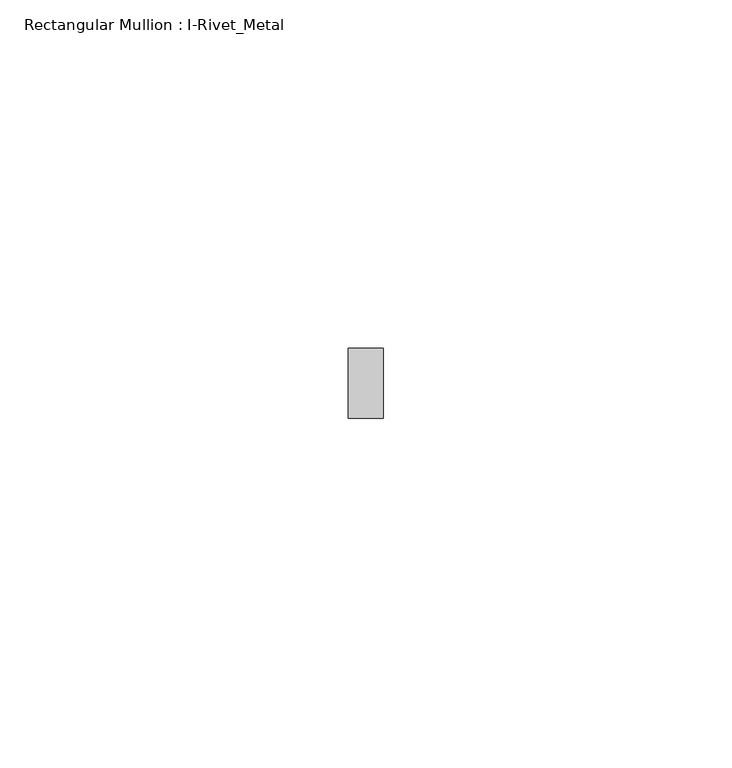
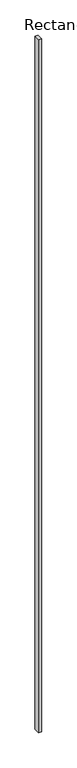
"""IFC4 building model written with IfcOpenShell, lengths in millimetres: member geometry, Rectangular Mullion : I-Rivet_Metal."""

from ifc_helpers import new_model, si_unit, frame, origin, place, context, project, spatial, polyline, outline, extrude, source, transform, mapped, element, save


def rectangular_mullion_i_rivet_metal_5c254e82(model_context):
    return source(origin(), model_context, "Body", "SweptSolid", [
        extrude(outline(polyline([(2.5, 70.0), (-2.5, 70.0), (-2.5, 80.0), (2.5, 80.0), (2.5, 70.0)])), frame((0.0, 0.0, -1200.0), z_axis=(0.0, 0.0, 1.0), x_axis=(1.0, 0.0, 0.0)), (0.0, 0.0, 1.0), 1200.0),
    ])


if __name__ == "__main__":
    model = new_model("IFC4")
    model_context = context("Model", 3, world=origin())
    ifc_project = project(units=[si_unit("LENGTHUNIT", "METRE", prefix="MILLI")], contexts=[model_context])
    site = spatial("IfcSite", under=ifc_project)
    building = spatial("IfcBuilding", under=site)
    placement = place(None, origin())
    rectangular_mullion_i_rivet_metal_shape = rectangular_mullion_i_rivet_metal_5c254e82(model_context)
    element("IfcMember", 1, ObjectType="Rectangular Mullion : I-Rivet_Metal", at=placement, inside=building, context=model_context, shape_type="MappedRepresentation", body=[
        mapped(rectangular_mullion_i_rivet_metal_shape, transform((0.0, 0.0, 0.0), x_axis=(1.0, 0.0, 0.0), y_axis=(0.0, 1.0, 0.0), z_axis=(0.0, 0.0, 1.0))),
    ])
    save(model, "model.ifc")
